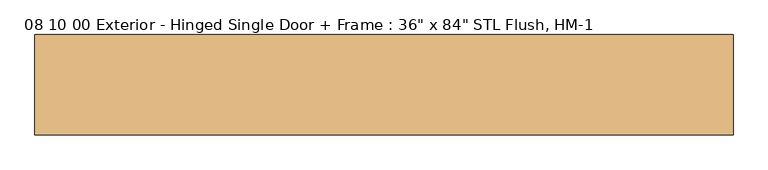
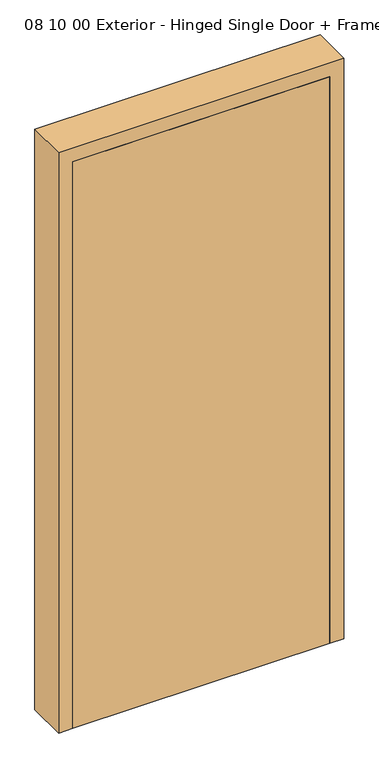
"""IFC4 building model written with IfcOpenShell, lengths in millimetres: door geometry."""

from ifc_helpers import new_model, si_unit, frame, origin, origin_with_axes, place, context, project, spatial, polyline, outline, extrude, source, transform, mapped, element, save


def door_9409f650(model_context):
    return source(origin(), model_context, "Body", "SweptSolid", [
        extrude(outline(polyline([(457.2, -266.7), (457.2, -311.15), (-457.2, -311.15), (-457.2, -266.7), (457.2, -266.7)])), origin_with_axes(), (0.0, 0.0, 1.0), 2133.6),
        extrude(outline(polyline([(0.0, -508.0), (0.0, -457.2), (2133.6, -457.2), (2133.6, 457.2), (0.0, 457.2), (0.0, 508.0), (2184.4, 508.0), (2184.4, -508.0), (0.0, -508.0)])), frame((0.0, -311.15, 0.0), z_axis=(0.0, 1.0, 0.0), x_axis=(0.0, 0.0, 1.0)), (0.0, 0.0, 1.0), 146.05),
    ])


if __name__ == "__main__":
    model = new_model("IFC4")
    model_context = context("Model", 3, world=origin())
    ifc_project = project(units=[si_unit("LENGTHUNIT", "METRE", prefix="MILLI")], contexts=[model_context])
    site = spatial("IfcSite", under=ifc_project)
    building = spatial("IfcBuilding", under=site)
    placement = place(None, origin())
    door_shape = door_9409f650(model_context)
    element("IfcDoor", 1, ObjectType="08 10 00 Exterior - Hinged Single Door + Frame : 36\" x 84\" STL Flush, HM-1", at=placement, inside=building, context=model_context, shape_type="MappedRepresentation", body=[
        mapped(door_shape, transform((0.0, 0.0, 0.0), x_axis=(1.0, 0.0, 0.0), y_axis=(0.0, 1.0, 0.0), z_axis=(0.0, 0.0, 1.0))),
    ])
    save(model, "model.ifc")
